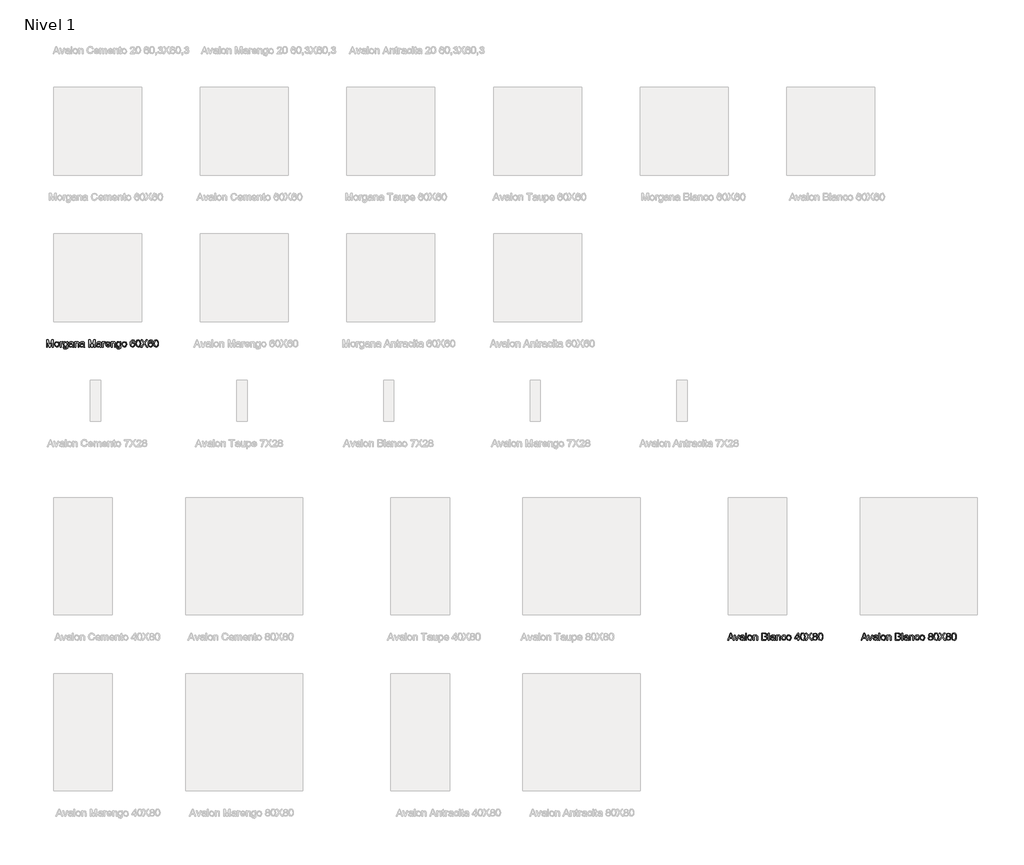
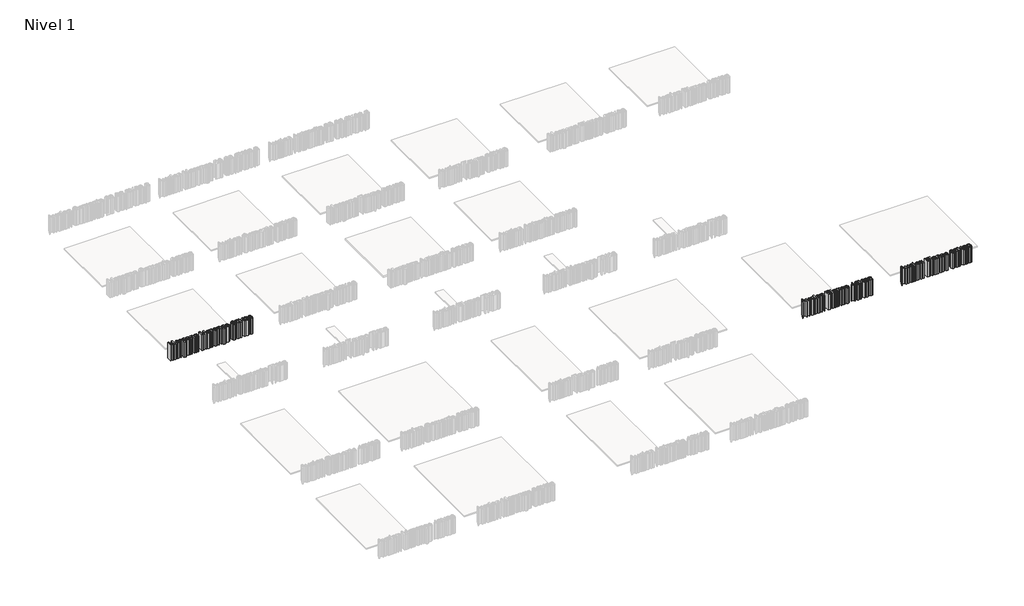
# One storey, part 4 of 11: 3 proxies.
"""IFC4 building model written with IfcOpenShell, lengths in millimetres."""

from ifc_helpers import new_model, si_unit, origin, origin_with_axes, place, context, project, spatial, polyline, outline, extrude, element, save

model = new_model("IFC4")

# Units and contexts
model_context = context("Model", 3, world=origin())
ifc_project = project(units=[si_unit("LENGTHUNIT", "METRE", prefix="MILLI")], contexts=[model_context])

# Site, building, storey
site = spatial("IfcSite", under=ifc_project)
building = spatial("IfcBuilding", under=site)
storey = spatial("IfcBuildingStorey", under=building, Name="Nivel 1", Elevation=0.0)

# Proxies
placement = place(None, origin())
element("IfcBuildingElementProxy", 1, Name="Texto de modelo 1", ObjectType="Texto de modelo 1", at=placement, inside=storey, context=model_context, shape_type="SweptSolid", body=[
    extrude(outline(polyline([(-48.4326504, -2172.9229512), (-48.4326504, -2123.692182), (-37.843708, -2123.692182), (-27.7715927, -2158.3917012), (-25.7403427, -2165.6392974), (-23.5408234, -2157.7907397), (-13.6369773, -2123.692182), (-3.048035, -2123.692182), (-3.048035, -2172.9229512), (-9.2018811, -2172.9229512), (-9.2018811, -2129.8460282), (-21.5696696, -2172.9229512), (-29.9110157, -2172.9229512), (-42.2788042, -2129.8460282), (-42.2788042, -2172.9229512), (-48.4326504, -2172.9229512)])), origin_with_axes(), (0.0, 0.0, 1.0), 150.0),
    extrude(outline(polyline([(5.4135035, -2154.8460282), (6.7446333, -2146.1290811), (10.7380227, -2140.0022782), (21.5793689, -2135.9998743), (33.2079746, -2140.8736724), (37.7211958, -2154.3412205), (35.7260035, -2165.2907397), (29.9147054, -2171.4866532), (21.5793689, -2173.692182), (9.8786477, -2168.8364128), (5.4135035, -2154.8460282)]), holes=[polyline([(11.5673496, -2154.8340089), (14.4159073, -2164.3712686), (21.5793689, -2167.5383359), (28.718792, -2164.3532397), (31.5673496, -2154.6417012), (28.7007631, -2145.3207878), (21.5793689, -2142.1537205), (14.4159073, -2145.3087686), (11.5673496, -2154.8340089)])]), origin_with_axes(), (0.0, 0.0, 1.0), 150.0),
    extrude(outline(polyline([(44.6442727, -2172.9229512), (44.6442727, -2136.7691051), (50.0288881, -2136.7691051), (50.0288881, -2142.1176628), (53.8510035, -2137.1897782), (57.6971573, -2135.9998743), (63.875042, -2137.8989128), (61.8197535, -2143.4157397), (57.4928304, -2142.1537205), (54.0132631, -2143.3676628), (51.795715, -2146.7330474), (50.7981189, -2153.9205474), (50.7981189, -2172.9229512), (44.6442727, -2172.9229512)])), origin_with_axes(), (0.0, 0.0, 1.0), 150.0),
    extrude(outline(polyline([(66.1827343, -2175.9998743), (72.3365804, -2176.7691051), (74.3317727, -2180.0142974), (80.3053304, -2181.3844897), (86.6034073, -2179.8340089), (89.608215, -2175.4830474), (90.0288881, -2168.3075666), (80.4135035, -2172.9229512), (69.3377823, -2167.5503551), (65.4135035, -2154.6657397), (67.1743208, -2145.1284801), (72.2704746, -2138.379682), (80.1130227, -2135.9998743), (90.0288881, -2141.3844897), (90.0288881, -2136.7691051), (96.1827343, -2136.7691051), (96.1827343, -2167.9830474), (94.500042, -2179.9361724), (89.1695131, -2185.4950666), (80.1851381, -2187.5383359), (69.9507631, -2184.6597301), (66.1827343, -2175.9998743)]), holes=[polyline([(71.5673496, -2154.2450666), (74.1935516, -2163.770307), (80.7860996, -2166.7691051), (87.3666285, -2163.7883359), (90.0288881, -2154.4253551), (87.2885035, -2145.2486724), (80.6899458, -2142.1537205), (74.2296093, -2145.2005955), (71.5673496, -2154.2450666)])]), origin_with_axes(), (0.0, 0.0, 1.0), 150.0),
    extrude(outline(polyline([(128.4904266, -2168.3075666), (122.5228785, -2172.4782397), (115.9303304, -2173.692182), (106.9940323, -2170.7715089), (103.875042, -2163.3075666), (105.0529266, -2158.4397782), (108.1478785, -2154.9061243), (112.4567727, -2152.8868936), (117.781292, -2151.9614128), (128.4543689, -2149.8460282), (126.795715, -2143.9325666), (119.9928304, -2142.1537205), (113.7668689, -2143.3376147), (110.7981189, -2147.5383359), (104.6442727, -2146.7691051), (107.3065323, -2140.7594897), (112.6671093, -2137.2378551), (120.7860996, -2135.9998743), (128.2440323, -2137.0936243), (132.4567727, -2139.8400186), (134.343792, -2144.0167012), (134.6442727, -2149.4013166), (134.6442727, -2157.0575666), (134.9567727, -2167.7486724), (136.1827343, -2172.9229512), (130.0288881, -2172.9229512), (128.4904266, -2168.3075666)]), holes=[polyline([(128.4904266, -2155.9998743), (118.562542, -2157.8868936), (113.2680708, -2158.8844897), (110.8702343, -2160.5070859), (110.0288881, -2162.8748743), (111.8618208, -2166.2042012), (117.2404266, -2167.5383359), (123.4663881, -2166.0659801), (127.4808112, -2162.5022782), (128.4543689, -2157.7426628), (128.4904266, -2155.9998743)])]), origin_with_axes(), (0.0, 0.0, 1.0), 150.0),
    extrude(outline(polyline([(143.1058112, -2172.9229512), (143.1058112, -2136.7691051), (149.2596573, -2136.7691051), (149.2596573, -2141.817182), (153.9651862, -2137.4542012), (160.389465, -2135.9998743), (166.2007631, -2137.1717493), (170.1671093, -2140.2486724), (172.0120612, -2144.7739128), (172.3365804, -2150.723432), (172.3365804, -2172.9229512), (166.1827343, -2172.9229512), (166.1827343, -2151.5527589), (165.4735996, -2146.1080474), (162.96759, -2143.2294416), (158.7428304, -2142.1537205), (152.0661477, -2144.5695859), (149.2596573, -2153.7402589), (149.2596573, -2172.9229512), (143.1058112, -2172.9229512)])), origin_with_axes(), (0.0, 0.0, 1.0), 150.0),
    extrude(outline(polyline([(203.875042, -2168.3075666), (197.9074939, -2172.4782397), (191.3149458, -2173.692182), (182.3786477, -2170.7715089), (179.2596573, -2163.3075666), (180.437542, -2158.4397782), (183.5324939, -2154.9061243), (187.8413881, -2152.8868936), (193.1659073, -2151.9614128), (203.8389843, -2149.8460282), (202.1803304, -2143.9325666), (195.3774458, -2142.1537205), (189.1514843, -2143.3376147), (186.1827343, -2147.5383359), (180.0288881, -2146.7691051), (182.6911477, -2140.7594897), (188.0517246, -2137.2378551), (196.170715, -2135.9998743), (203.6286477, -2137.0936243), (207.8413881, -2139.8400186), (209.7284073, -2144.0167012), (210.0288881, -2149.4013166), (210.0288881, -2157.0575666), (210.3413881, -2167.7486724), (211.5673496, -2172.9229512), (205.4135035, -2172.9229512), (203.875042, -2168.3075666)]), holes=[polyline([(203.875042, -2155.9998743), (193.9471573, -2157.8868936), (188.6526862, -2158.8844897), (186.2548496, -2160.5070859), (185.4135035, -2162.8748743), (187.2464362, -2166.2042012), (192.625042, -2167.5383359), (198.8510035, -2166.0659801), (202.8654266, -2162.5022782), (203.8389843, -2157.7426628), (203.875042, -2155.9998743)])]), origin_with_axes(), (0.0, 0.0, 1.0), 150.0),
    extrude(outline(polyline([(238.4904266, -2172.9229512), (238.4904266, -2123.692182), (249.0793689, -2123.692182), (259.1514843, -2158.3917012), (261.1827343, -2165.6392974), (263.3822535, -2157.7907397), (273.2860996, -2123.692182), (283.875042, -2123.692182), (283.875042, -2172.9229512), (277.7211958, -2172.9229512), (277.7211958, -2129.8460282), (265.3534073, -2172.9229512), (257.0120612, -2172.9229512), (244.6442727, -2129.8460282), (244.6442727, -2172.9229512), (238.4904266, -2172.9229512)])), origin_with_axes(), (0.0, 0.0, 1.0), 150.0),
    extrude(outline(polyline([(316.951965, -2168.3075666), (310.984417, -2172.4782397), (304.3918689, -2173.692182), (295.4555708, -2170.7715089), (292.3365804, -2163.3075666), (293.514465, -2158.4397782), (296.609417, -2154.9061243), (300.9183112, -2152.8868936), (306.2428304, -2151.9614128), (316.9159073, -2149.8460282), (315.2572535, -2143.9325666), (308.4543689, -2142.1537205), (302.2284073, -2143.3376147), (299.2596573, -2147.5383359), (293.1058112, -2146.7691051), (295.7680708, -2140.7594897), (301.1286477, -2137.2378551), (309.2476381, -2135.9998743), (316.7055708, -2137.0936243), (320.9183112, -2139.8400186), (322.8053304, -2144.0167012), (323.1058112, -2149.4013166), (323.1058112, -2157.0575666), (323.4183112, -2167.7486724), (324.6442727, -2172.9229512), (318.4904266, -2172.9229512), (316.951965, -2168.3075666)]), holes=[polyline([(316.951965, -2155.9998743), (307.0240804, -2157.8868936), (301.7296093, -2158.8844897), (299.3317727, -2160.5070859), (298.4904266, -2162.8748743), (300.3233593, -2166.2042012), (305.701965, -2167.5383359), (311.9279266, -2166.0659801), (315.9423496, -2162.5022782), (316.9159073, -2157.7426628), (316.951965, -2155.9998743)])]), origin_with_axes(), (0.0, 0.0, 1.0), 150.0),
    extrude(outline(polyline([(331.5673496, -2172.9229512), (331.5673496, -2136.7691051), (336.951965, -2136.7691051), (336.951965, -2142.1176628), (340.7740804, -2137.1897782), (344.6202343, -2135.9998743), (350.7981189, -2137.8989128), (348.7428304, -2143.4157397), (344.4159073, -2142.1537205), (340.93634, -2143.3676628), (338.718792, -2146.7330474), (337.7211958, -2153.9205474), (337.7211958, -2172.9229512), (331.5673496, -2172.9229512)])), origin_with_axes(), (0.0, 0.0, 1.0), 150.0),
    extrude(outline(polyline([(379.9567727, -2162.1537205), (385.9904266, -2162.9229512), (380.3473977, -2170.8676628), (369.8365804, -2173.692182), (357.0601381, -2168.8183839), (352.3365804, -2155.1465089), (357.108215, -2141.0239128), (369.4880227, -2135.9998743), (381.5132631, -2141.0118936), (386.1827343, -2155.1104512), (386.1466766, -2156.7691051), (358.4904266, -2156.7691051), (362.03009, -2164.7618936), (369.9567727, -2167.5383359), (375.9904266, -2166.2522782), (379.9567727, -2162.1537205)]), holes=[polyline([(358.4904266, -2150.6152589), (380.0288881, -2150.6152589), (377.5649458, -2145.0383359), (369.4639843, -2142.1537205), (361.8858593, -2144.4554032), (358.4904266, -2150.6152589)])]), origin_with_axes(), (0.0, 0.0, 1.0), 150.0),
    extrude(outline(polyline([(392.3365804, -2172.9229512), (392.3365804, -2136.7691051), (398.4904266, -2136.7691051), (398.4904266, -2141.817182), (403.1959554, -2137.4542012), (409.6202343, -2135.9998743), (415.4315323, -2137.1717493), (419.3978785, -2140.2486724), (421.2428304, -2144.7739128), (421.5673496, -2150.723432), (421.5673496, -2172.9229512), (415.4135035, -2172.9229512), (415.4135035, -2151.5527589), (414.7043689, -2146.1080474), (412.1983593, -2143.2294416), (407.9735996, -2142.1537205), (401.296917, -2144.5695859), (398.4904266, -2153.7402589), (398.4904266, -2172.9229512), (392.3365804, -2172.9229512)])), origin_with_axes(), (0.0, 0.0, 1.0), 150.0),
    extrude(outline(polyline([(428.4904266, -2175.9998743), (434.6442727, -2176.7691051), (436.639465, -2180.0142974), (442.6130227, -2181.3844897), (448.9110996, -2179.8340089), (451.9159073, -2175.4830474), (452.3365804, -2168.3075666), (442.7211958, -2172.9229512), (431.6454746, -2167.5503551), (427.7211958, -2154.6657397), (429.4820131, -2145.1284801), (434.578167, -2138.379682), (442.420715, -2135.9998743), (452.3365804, -2141.3844897), (452.3365804, -2136.7691051), (458.4904266, -2136.7691051), (458.4904266, -2167.9830474), (456.8077343, -2179.9361724), (451.4772054, -2185.4950666), (442.4928304, -2187.5383359), (432.2584554, -2184.6597301), (428.4904266, -2175.9998743)]), holes=[polyline([(433.875042, -2154.2450666), (436.5012439, -2163.770307), (443.093792, -2166.7691051), (449.6743208, -2163.7883359), (452.3365804, -2154.4253551), (449.5961958, -2145.2486724), (442.9976381, -2142.1537205), (436.5373016, -2145.2005955), (433.875042, -2154.2450666)])]), origin_with_axes(), (0.0, 0.0, 1.0), 150.0),
    extrude(outline(polyline([(466.1827343, -2154.8460282), (467.5138641, -2146.1290811), (471.5072535, -2140.0022782), (482.3485996, -2135.9998743), (493.9772054, -2140.8736724), (498.4904266, -2154.3412205), (496.4952343, -2165.2907397), (490.6839362, -2171.4866532), (482.3485996, -2173.692182), (470.6478785, -2168.8364128), (466.1827343, -2154.8460282)]), holes=[polyline([(472.3365804, -2154.8340089), (475.1851381, -2164.3712686), (482.3485996, -2167.5383359), (489.4880227, -2164.3532397), (492.3365804, -2154.6417012), (489.4699939, -2145.3207878), (482.3485996, -2142.1537205), (475.1851381, -2145.3087686), (472.3365804, -2154.8340089)])]), origin_with_axes(), (0.0, 0.0, 1.0), 150.0),
    extrude(outline(polyline([(554.6442727, -2136.7691051), (548.4904266, -2137.5383359), (546.1586958, -2132.4061243), (539.9928304, -2129.8460282), (534.4399458, -2131.3364128), (530.2392246, -2136.9313647), (528.4904266, -2147.8989128), (533.9171093, -2142.989057), (540.6418689, -2141.3844897), (551.0985996, -2145.7715089), (555.4135035, -2157.1056436), (553.3822535, -2165.5972301), (547.7933112, -2171.6068455), (539.7284073, -2173.692182), (527.18634, -2168.1633359), (523.5490203, -2160.8436243), (522.3365804, -2149.942182), (523.6827343, -2137.6855714), (527.7211958, -2129.3051628), (533.2350179, -2125.0954272), (540.3774458, -2123.692182), (550.1010035, -2127.1657397), (554.6442727, -2136.7691051)]), holes=[polyline([(528.4904266, -2157.0094897), (529.9147054, -2162.3400186), (533.7007631, -2166.2102109), (539.2476381, -2167.5383359), (546.5012439, -2164.785932), (549.2596573, -2157.3099705), (546.5373016, -2150.1525186), (538.9952343, -2147.5383359), (531.5493208, -2150.1525186), (528.4904266, -2157.0094897)])]), origin_with_axes(), (0.0, 0.0, 1.0), 150.0),
    extrude(outline(polyline([(560.7981189, -2148.7042012), (562.6070131, -2134.5395378), (567.9796093, -2126.3724705), (576.951965, -2123.692182), (584.139465, -2125.2787205), (589.1034073, -2129.8520378), (591.9880227, -2137.1356916), (593.1058112, -2148.7042012), (591.3149458, -2162.8087686), (585.9603785, -2170.9938647), (576.951965, -2173.692182), (565.701965, -2169.004682), (562.0240804, -2160.6783599), (560.7981189, -2148.7042012)]), holes=[polyline([(566.951965, -2148.692182), (569.8365804, -2163.9746339), (576.951965, -2167.5383359), (584.0673496, -2163.9626147), (586.951965, -2148.692182), (584.1635035, -2133.5840089), (576.8798496, -2129.8460282), (569.9327343, -2133.1392974), (566.951965, -2148.692182)])]), origin_with_axes(), (0.0, 0.0, 1.0), 150.0),
    extrude(outline(polyline([(595.4135035, -2172.9229512), (614.3918689, -2146.0960282), (598.4904266, -2123.692182), (605.8702343, -2123.692182), (614.8245612, -2136.3003551), (617.8413881, -2141.2162205), (621.375042, -2136.2162205), (630.233215, -2123.692182), (637.7211958, -2123.692182), (621.8197535, -2146.1681436), (640.7981189, -2172.9229512), (633.4183112, -2172.9229512), (620.7740804, -2155.0864128), (618.1418689, -2151.3844897), (615.2452343, -2155.4469897), (602.9014843, -2172.9229512), (595.4135035, -2172.9229512)])), origin_with_axes(), (0.0, 0.0, 1.0), 150.0),
    extrude(outline(polyline([(676.1827343, -2136.7691051), (670.0288881, -2137.5383359), (667.6971573, -2132.4061243), (661.531292, -2129.8460282), (655.9784073, -2131.3364128), (651.7776862, -2136.9313647), (650.0288881, -2147.8989128), (655.4555708, -2142.989057), (662.1803304, -2141.3844897), (672.6370612, -2145.7715089), (676.951965, -2157.1056436), (674.920715, -2165.5972301), (669.3317727, -2171.6068455), (661.2668689, -2173.692182), (648.7248016, -2168.1633359), (645.0874819, -2160.8436243), (643.875042, -2149.942182), (645.2211958, -2137.6855714), (649.2596573, -2129.3051628), (654.7734795, -2125.0954272), (661.9159073, -2123.692182), (671.639465, -2127.1657397), (676.1827343, -2136.7691051)]), holes=[polyline([(650.0288881, -2157.0094897), (651.453167, -2162.3400186), (655.2392246, -2166.2102109), (660.7860996, -2167.5383359), (668.0397054, -2164.785932), (670.7981189, -2157.3099705), (668.0757631, -2150.1525186), (660.5336958, -2147.5383359), (653.0877823, -2150.1525186), (650.0288881, -2157.0094897)])]), origin_with_axes(), (0.0, 0.0, 1.0), 150.0),
    extrude(outline(polyline([(682.3365804, -2148.7042012), (684.1454746, -2134.5395378), (689.5180708, -2126.3724705), (698.4904266, -2123.692182), (705.6779266, -2125.2787205), (710.6418689, -2129.8520378), (713.5264843, -2137.1356916), (714.6442727, -2148.7042012), (712.8534073, -2162.8087686), (707.49884, -2170.9938647), (698.4904266, -2173.692182), (687.2404266, -2169.004682), (683.562542, -2160.6783599), (682.3365804, -2148.7042012)]), holes=[polyline([(688.4904266, -2148.692182), (691.375042, -2163.9746339), (698.4904266, -2167.5383359), (705.6058112, -2163.9626147), (708.4904266, -2148.692182), (705.701965, -2133.5840089), (698.4183112, -2129.8460282), (691.4711958, -2133.1392974), (688.4904266, -2148.692182)])]), origin_with_axes(), (0.0, 0.0, 1.0), 150.0),
])
element("IfcBuildingElementProxy", 2, Name="Texto de modelo 1", ObjectType="Texto de modelo 1", at=placement, inside=storey, context=model_context, shape_type="SweptSolid", body=[
    extrude(outline(polyline([(4595.8341766, -4172.9229512), (4615.4856189, -4123.692182), (4620.7260035, -4123.692182), (4640.3774458, -4172.9229512), (4633.875042, -4172.9229512), (4628.2380227, -4157.5383359), (4607.9615804, -4157.5383359), (4602.3365804, -4172.9229512), (4595.8341766, -4172.9229512)]), holes=[polyline([(4610.2211958, -4151.3844897), (4625.9904266, -4151.3844897), (4621.5553304, -4139.2811243), (4618.1058112, -4129.8460282), (4615.0409073, -4138.223432), (4610.2211958, -4151.3844897)])]), origin_with_axes(), (0.0, 0.0, 1.0), 150.0),
    extrude(outline(polyline([(4655.0529266, -4172.9229512), (4642.3365804, -4136.7691051), (4648.8510035, -4136.7691051), (4656.5553304, -4158.4277589), (4658.875042, -4165.7114128), (4661.1466766, -4158.8364128), (4668.8990804, -4136.7691051), (4675.4135035, -4136.7691051), (4662.8534073, -4172.9229512), (4655.0529266, -4172.9229512)])), origin_with_axes(), (0.0, 0.0, 1.0), 150.0),
    extrude(outline(polyline([(4703.875042, -4168.3075666), (4697.9074939, -4172.4782397), (4691.3149458, -4173.692182), (4682.3786477, -4170.7715089), (4679.2596573, -4163.3075666), (4680.437542, -4158.4397782), (4683.5324939, -4154.9061243), (4687.8413881, -4152.8868936), (4693.1659073, -4151.9614128), (4703.8389843, -4149.8460282), (4702.1803304, -4143.9325666), (4695.3774458, -4142.1537205), (4689.1514843, -4143.3376147), (4686.1827343, -4147.5383359), (4680.0288881, -4146.7691051), (4682.6911477, -4140.7594897), (4688.0517246, -4137.2378551), (4696.170715, -4135.9998743), (4703.6286477, -4137.0936243), (4707.8413881, -4139.8400186), (4709.7284073, -4144.0167012), (4710.0288881, -4149.4013166), (4710.0288881, -4157.0575666), (4710.3413881, -4167.7486724), (4711.5673496, -4172.9229512), (4705.4135035, -4172.9229512), (4703.875042, -4168.3075666)]), holes=[polyline([(4703.875042, -4155.9998743), (4693.9471573, -4157.8868936), (4688.6526862, -4158.8844897), (4686.2548496, -4160.5070859), (4685.4135035, -4162.8748743), (4687.2464362, -4166.2042012), (4692.625042, -4167.5383359), (4698.8510035, -4166.0659801), (4702.8654266, -4162.5022782), (4703.8389843, -4157.7426628), (4703.875042, -4155.9998743)])]), origin_with_axes(), (0.0, 0.0, 1.0), 150.0),
    extrude(outline(polyline([(4718.4904266, -4172.9229512), (4718.4904266, -4123.692182), (4724.6442727, -4123.692182), (4724.6442727, -4172.9229512), (4718.4904266, -4172.9229512)])), origin_with_axes(), (0.0, 0.0, 1.0), 150.0),
    extrude(outline(polyline([(4732.3365804, -4154.8460282), (4733.6677102, -4146.1290811), (4737.6610996, -4140.0022782), (4748.5024458, -4135.9998743), (4760.1310516, -4140.8736724), (4764.6442727, -4154.3412205), (4762.6490804, -4165.2907397), (4756.8377823, -4171.4866532), (4748.5024458, -4173.692182), (4736.8017246, -4168.8364128), (4732.3365804, -4154.8460282)]), holes=[polyline([(4738.4904266, -4154.8340089), (4741.3389843, -4164.3712686), (4748.5024458, -4167.5383359), (4755.6418689, -4164.3532397), (4758.4904266, -4154.6417012), (4755.62384, -4145.3207878), (4748.5024458, -4142.1537205), (4741.3389843, -4145.3087686), (4738.4904266, -4154.8340089)])]), origin_with_axes(), (0.0, 0.0, 1.0), 150.0),
    extrude(outline(polyline([(4771.5673496, -4172.9229512), (4771.5673496, -4136.7691051), (4777.7211958, -4136.7691051), (4777.7211958, -4141.817182), (4782.4267246, -4137.4542012), (4788.8510035, -4135.9998743), (4794.6623016, -4137.1717493), (4798.6286477, -4140.2486724), (4800.4735996, -4144.7739128), (4800.7981189, -4150.723432), (4800.7981189, -4172.9229512), (4794.6442727, -4172.9229512), (4794.6442727, -4151.5527589), (4793.9351381, -4146.1080474), (4791.4291285, -4143.2294416), (4787.2043689, -4142.1537205), (4780.5276862, -4144.5695859), (4777.7211958, -4153.7402589), (4777.7211958, -4172.9229512), (4771.5673496, -4172.9229512)])), origin_with_axes(), (0.0, 0.0, 1.0), 150.0),
    extrude(outline(polyline([(4829.2596573, -4172.9229512), (4829.2596573, -4123.692182), (4848.045715, -4123.692182), (4857.2464362, -4125.1404993), (4862.6791285, -4129.5936243), (4864.6442727, -4135.8917012), (4862.9916285, -4141.6429032), (4857.9976381, -4145.9998743), (4864.06134, -4150.5912205), (4866.1827343, -4158.2474705), (4864.734417, -4164.864057), (4861.1466766, -4169.5755955), (4855.7921093, -4172.0755955), (4847.9014843, -4172.9229512), (4829.2596573, -4172.9229512)]), holes=[polyline([(4835.4135035, -4143.692182), (4846.6514843, -4143.692182), (4853.2139843, -4143.1633359), (4857.1623016, -4140.8856916), (4858.4904266, -4136.8772782), (4857.2524458, -4132.8628551), (4853.7067727, -4130.489057), (4845.7981189, -4129.8460282), (4835.4135035, -4129.8460282), (4835.4135035, -4143.692182)]), polyline([(4835.4135035, -4166.7691051), (4848.0336958, -4166.7691051), (4852.6010035, -4166.5287205), (4856.4651862, -4165.1885762), (4859.0252823, -4162.4542012), (4860.0288881, -4158.3075666), (4858.8510035, -4153.5239128), (4855.0348977, -4150.6693455), (4847.4327343, -4149.8460282), (4835.4135035, -4149.8460282), (4835.4135035, -4166.7691051)])]), origin_with_axes(), (0.0, 0.0, 1.0), 150.0),
    extrude(outline(polyline([(4873.875042, -4172.9229512), (4873.875042, -4123.692182), (4880.0288881, -4123.692182), (4880.0288881, -4172.9229512), (4873.875042, -4172.9229512)])), origin_with_axes(), (0.0, 0.0, 1.0), 150.0),
    extrude(outline(polyline([(4912.3365804, -4168.3075666), (4906.3690323, -4172.4782397), (4899.7764843, -4173.692182), (4890.8401862, -4170.7715089), (4887.7211958, -4163.3075666), (4888.8990804, -4158.4397782), (4891.9940323, -4154.9061243), (4896.3029266, -4152.8868936), (4901.6274458, -4151.9614128), (4912.3005227, -4149.8460282), (4910.6418689, -4143.9325666), (4903.8389843, -4142.1537205), (4897.6130227, -4143.3376147), (4894.6442727, -4147.5383359), (4888.4904266, -4146.7691051), (4891.1526862, -4140.7594897), (4896.5132631, -4137.2378551), (4904.6322535, -4135.9998743), (4912.0901862, -4137.0936243), (4916.3029266, -4139.8400186), (4918.1899458, -4144.0167012), (4918.4904266, -4149.4013166), (4918.4904266, -4157.0575666), (4918.8029266, -4167.7486724), (4920.0288881, -4172.9229512), (4913.875042, -4172.9229512), (4912.3365804, -4168.3075666)]), holes=[polyline([(4912.3365804, -4155.9998743), (4902.4086958, -4157.8868936), (4897.1142246, -4158.8844897), (4894.7163881, -4160.5070859), (4893.875042, -4162.8748743), (4895.7079746, -4166.2042012), (4901.0865804, -4167.5383359), (4907.312542, -4166.0659801), (4911.326965, -4162.5022782), (4912.3005227, -4157.7426628), (4912.3365804, -4155.9998743)])]), origin_with_axes(), (0.0, 0.0, 1.0), 150.0),
    extrude(outline(polyline([(4926.951965, -4172.9229512), (4926.951965, -4136.7691051), (4933.1058112, -4136.7691051), (4933.1058112, -4141.817182), (4937.81134, -4137.4542012), (4944.2356189, -4135.9998743), (4950.046917, -4137.1717493), (4954.0132631, -4140.2486724), (4955.858215, -4144.7739128), (4956.1827343, -4150.723432), (4956.1827343, -4172.9229512), (4950.0288881, -4172.9229512), (4950.0288881, -4151.5527589), (4949.3197535, -4146.1080474), (4946.8137439, -4143.2294416), (4942.5889843, -4142.1537205), (4935.9123016, -4144.5695859), (4933.1058112, -4153.7402589), (4933.1058112, -4172.9229512), (4926.951965, -4172.9229512)])), origin_with_axes(), (0.0, 0.0, 1.0), 150.0),
    extrude(outline(polyline([(4987.7211958, -4159.8460282), (4993.875042, -4160.6152589), (4988.9351381, -4170.2246339), (4979.1755227, -4173.692182), (4967.5108593, -4168.8544416), (4963.1058112, -4154.9782397), (4964.9868208, -4144.7558839), (4970.7199939, -4138.1873743), (4979.0913881, -4135.9998743), (4988.4483593, -4139.004682), (4993.1058112, -4147.5383359), (4986.951965, -4148.3075666), (4984.0973977, -4143.6981916), (4979.139465, -4142.1537205), (4972.0060516, -4145.1945859), (4969.2596573, -4154.8099705), (4971.9459554, -4164.5154993), (4978.9711958, -4167.5383359), (4984.7704746, -4165.6513166), (4987.7211958, -4159.8460282)])), origin_with_axes(), (0.0, 0.0, 1.0), 150.0),
    extrude(outline(polyline([(4997.7211958, -4154.8460282), (4999.0523256, -4146.1290811), (5003.045715, -4140.0022782), (5013.8870612, -4135.9998743), (5025.515667, -4140.8736724), (5030.0288881, -4154.3412205), (5028.0336958, -4165.2907397), (5022.2223977, -4171.4866532), (5013.8870612, -4173.692182), (5002.18634, -4168.8364128), (4997.7211958, -4154.8460282)]), holes=[polyline([(5003.875042, -4154.8340089), (5006.7235996, -4164.3712686), (5013.8870612, -4167.5383359), (5021.0264843, -4164.3532397), (5023.875042, -4154.6417012), (5021.0084554, -4145.3207878), (5013.8870612, -4142.1537205), (5006.7235996, -4145.3087686), (5003.875042, -4154.8340089)])]), origin_with_axes(), (0.0, 0.0, 1.0), 150.0),
    extrude(outline(polyline([(5074.6442727, -4172.9229512), (5074.6442727, -4161.3844897), (5052.3365804, -4161.3844897), (5052.3365804, -4155.2306436), (5076.1827343, -4124.4614128), (5080.7981189, -4124.4614128), (5080.7981189, -4155.2306436), (5086.951965, -4155.2306436), (5086.951965, -4161.3844897), (5080.7981189, -4161.3844897), (5080.7981189, -4172.9229512), (5074.6442727, -4172.9229512)]), holes=[polyline([(5074.6442727, -4155.2306436), (5074.6442727, -4136.2162205), (5059.9086958, -4155.2306436), (5074.6442727, -4155.2306436)])]), origin_with_axes(), (0.0, 0.0, 1.0), 150.0),
    extrude(outline(polyline([(5092.3365804, -4148.7042012), (5094.1454746, -4134.5395378), (5099.5180708, -4126.3724705), (5108.4904266, -4123.692182), (5115.6779266, -4125.2787205), (5120.6418689, -4129.8520378), (5123.5264843, -4137.1356916), (5124.6442727, -4148.7042012), (5122.8534073, -4162.8087686), (5117.49884, -4170.9938647), (5108.4904266, -4173.692182), (5097.2404266, -4169.004682), (5093.562542, -4160.6783599), (5092.3365804, -4148.7042012)]), holes=[polyline([(5098.4904266, -4148.692182), (5101.375042, -4163.9746339), (5108.4904266, -4167.5383359), (5115.6058112, -4163.9626147), (5118.4904266, -4148.692182), (5115.701965, -4133.5840089), (5108.4183112, -4129.8460282), (5101.4711958, -4133.1392974), (5098.4904266, -4148.692182)])]), origin_with_axes(), (0.0, 0.0, 1.0), 150.0),
    extrude(outline(polyline([(5126.951965, -4172.9229512), (5145.9303304, -4146.0960282), (5130.0288881, -4123.692182), (5137.4086958, -4123.692182), (5146.3630227, -4136.3003551), (5149.3798496, -4141.2162205), (5152.9135035, -4136.2162205), (5161.7716766, -4123.692182), (5169.2596573, -4123.692182), (5153.358215, -4146.1681436), (5172.3365804, -4172.9229512), (5164.9567727, -4172.9229512), (5152.312542, -4155.0864128), (5149.6803304, -4151.3844897), (5146.7836958, -4155.4469897), (5134.4399458, -4172.9229512), (5126.951965, -4172.9229512)])), origin_with_axes(), (0.0, 0.0, 1.0), 150.0),
    extrude(outline(polyline([(5185.1490804, -4145.8075666), (5179.5421093, -4141.9854512), (5177.7211958, -4136.035932), (5181.687542, -4127.2498743), (5192.2524458, -4123.692182), (5202.9135035, -4127.3340089), (5206.951965, -4136.2042012), (5205.15509, -4142.0034801), (5199.7043689, -4145.8075666), (5206.24884, -4150.6332878), (5208.4904266, -4158.5960282), (5204.0433112, -4169.3412205), (5192.3365804, -4173.692182), (5180.6298496, -4169.3231916), (5176.1827343, -4158.4277589), (5178.514465, -4150.2787205), (5185.1490804, -4145.8075666)]), holes=[polyline([(5183.875042, -4136.2162205), (5186.0565323, -4141.0479512), (5192.4086958, -4142.9229512), (5198.6346573, -4141.0599705), (5200.7981189, -4136.4926628), (5198.562542, -4131.7630955), (5192.3365804, -4129.8460282), (5186.09259, -4131.7210282), (5183.875042, -4136.2162205)]), polyline([(5182.3365804, -4158.2114128), (5183.3642246, -4162.8448262), (5187.000042, -4166.3123743), (5192.3846573, -4167.5383359), (5199.7163881, -4164.9602109), (5202.3365804, -4158.4037205), (5199.6322535, -4151.7210282), (5192.1803304, -4149.0767974), (5184.9387439, -4151.6849705), (5182.3365804, -4158.2114128)])]), origin_with_axes(), (0.0, 0.0, 1.0), 150.0),
    extrude(outline(polyline([(5213.875042, -4148.7042012), (5215.6839362, -4134.5395378), (5221.0565323, -4126.3724705), (5230.0288881, -4123.692182), (5237.2163881, -4125.2787205), (5242.1803304, -4129.8520378), (5245.0649458, -4137.1356916), (5246.1827343, -4148.7042012), (5244.3918689, -4162.8087686), (5239.0373016, -4170.9938647), (5230.0288881, -4173.692182), (5218.7788881, -4169.004682), (5215.1010035, -4160.6783599), (5213.875042, -4148.7042012)]), holes=[polyline([(5220.0288881, -4148.692182), (5222.9135035, -4163.9746339), (5230.0288881, -4167.5383359), (5237.1442727, -4163.9626147), (5240.0288881, -4148.692182), (5237.2404266, -4133.5840089), (5229.9567727, -4129.8460282), (5223.0096573, -4133.1392974), (5220.0288881, -4148.692182)])]), origin_with_axes(), (0.0, 0.0, 1.0), 150.0),
])
element("IfcBuildingElementProxy", 3, Name="Texto de modelo 1", ObjectType="Texto de modelo 1", at=placement, inside=storey, context=model_context, shape_type="SweptSolid", body=[
    extrude(outline(polyline([(5505.8341766, -4172.9229512), (5525.4856189, -4123.692182), (5530.7260035, -4123.692182), (5550.3774458, -4172.9229512), (5543.875042, -4172.9229512), (5538.2380227, -4157.5383359), (5517.9615804, -4157.5383359), (5512.3365804, -4172.9229512), (5505.8341766, -4172.9229512)]), holes=[polyline([(5520.2211958, -4151.3844897), (5535.9904266, -4151.3844897), (5531.5553304, -4139.2811243), (5528.1058112, -4129.8460282), (5525.0409073, -4138.223432), (5520.2211958, -4151.3844897)])]), origin_with_axes(), (0.0, 0.0, 1.0), 150.0),
    extrude(outline(polyline([(5565.0529266, -4172.9229512), (5552.3365804, -4136.7691051), (5558.8510035, -4136.7691051), (5566.5553304, -4158.4277589), (5568.875042, -4165.7114128), (5571.1466766, -4158.8364128), (5578.8990804, -4136.7691051), (5585.4135035, -4136.7691051), (5572.8534073, -4172.9229512), (5565.0529266, -4172.9229512)])), origin_with_axes(), (0.0, 0.0, 1.0), 150.0),
    extrude(outline(polyline([(5613.875042, -4168.3075666), (5607.9074939, -4172.4782397), (5601.3149458, -4173.692182), (5592.3786477, -4170.7715089), (5589.2596573, -4163.3075666), (5590.437542, -4158.4397782), (5593.5324939, -4154.9061243), (5597.8413881, -4152.8868936), (5603.1659073, -4151.9614128), (5613.8389843, -4149.8460282), (5612.1803304, -4143.9325666), (5605.3774458, -4142.1537205), (5599.1514843, -4143.3376147), (5596.1827343, -4147.5383359), (5590.0288881, -4146.7691051), (5592.6911477, -4140.7594897), (5598.0517246, -4137.2378551), (5606.170715, -4135.9998743), (5613.6286477, -4137.0936243), (5617.8413881, -4139.8400186), (5619.7284073, -4144.0167012), (5620.0288881, -4149.4013166), (5620.0288881, -4157.0575666), (5620.3413881, -4167.7486724), (5621.5673496, -4172.9229512), (5615.4135035, -4172.9229512), (5613.875042, -4168.3075666)]), holes=[polyline([(5613.875042, -4155.9998743), (5603.9471573, -4157.8868936), (5598.6526862, -4158.8844897), (5596.2548496, -4160.5070859), (5595.4135035, -4162.8748743), (5597.2464362, -4166.2042012), (5602.625042, -4167.5383359), (5608.8510035, -4166.0659801), (5612.8654266, -4162.5022782), (5613.8389843, -4157.7426628), (5613.875042, -4155.9998743)])]), origin_with_axes(), (0.0, 0.0, 1.0), 150.0),
    extrude(outline(polyline([(5628.4904266, -4172.9229512), (5628.4904266, -4123.692182), (5634.6442727, -4123.692182), (5634.6442727, -4172.9229512), (5628.4904266, -4172.9229512)])), origin_with_axes(), (0.0, 0.0, 1.0), 150.0),
    extrude(outline(polyline([(5642.3365804, -4154.8460282), (5643.6677102, -4146.1290811), (5647.6610996, -4140.0022782), (5658.5024458, -4135.9998743), (5670.1310516, -4140.8736724), (5674.6442727, -4154.3412205), (5672.6490804, -4165.2907397), (5666.8377823, -4171.4866532), (5658.5024458, -4173.692182), (5646.8017246, -4168.8364128), (5642.3365804, -4154.8460282)]), holes=[polyline([(5648.4904266, -4154.8340089), (5651.3389843, -4164.3712686), (5658.5024458, -4167.5383359), (5665.6418689, -4164.3532397), (5668.4904266, -4154.6417012), (5665.62384, -4145.3207878), (5658.5024458, -4142.1537205), (5651.3389843, -4145.3087686), (5648.4904266, -4154.8340089)])]), origin_with_axes(), (0.0, 0.0, 1.0), 150.0),
    extrude(outline(polyline([(5681.5673496, -4172.9229512), (5681.5673496, -4136.7691051), (5687.7211958, -4136.7691051), (5687.7211958, -4141.817182), (5692.4267246, -4137.4542012), (5698.8510035, -4135.9998743), (5704.6623016, -4137.1717493), (5708.6286477, -4140.2486724), (5710.4735996, -4144.7739128), (5710.7981189, -4150.723432), (5710.7981189, -4172.9229512), (5704.6442727, -4172.9229512), (5704.6442727, -4151.5527589), (5703.9351381, -4146.1080474), (5701.4291285, -4143.2294416), (5697.2043689, -4142.1537205), (5690.5276862, -4144.5695859), (5687.7211958, -4153.7402589), (5687.7211958, -4172.9229512), (5681.5673496, -4172.9229512)])), origin_with_axes(), (0.0, 0.0, 1.0), 150.0),
    extrude(outline(polyline([(5739.2596573, -4172.9229512), (5739.2596573, -4123.692182), (5758.045715, -4123.692182), (5767.2464362, -4125.1404993), (5772.6791285, -4129.5936243), (5774.6442727, -4135.8917012), (5772.9916285, -4141.6429032), (5767.9976381, -4145.9998743), (5774.06134, -4150.5912205), (5776.1827343, -4158.2474705), (5774.734417, -4164.864057), (5771.1466766, -4169.5755955), (5765.7921093, -4172.0755955), (5757.9014843, -4172.9229512), (5739.2596573, -4172.9229512)]), holes=[polyline([(5745.4135035, -4143.692182), (5756.6514843, -4143.692182), (5763.2139843, -4143.1633359), (5767.1623016, -4140.8856916), (5768.4904266, -4136.8772782), (5767.2524458, -4132.8628551), (5763.7067727, -4130.489057), (5755.7981189, -4129.8460282), (5745.4135035, -4129.8460282), (5745.4135035, -4143.692182)]), polyline([(5745.4135035, -4166.7691051), (5758.0336958, -4166.7691051), (5762.6010035, -4166.5287205), (5766.4651862, -4165.1885762), (5769.0252823, -4162.4542012), (5770.0288881, -4158.3075666), (5768.8510035, -4153.5239128), (5765.0348977, -4150.6693455), (5757.4327343, -4149.8460282), (5745.4135035, -4149.8460282), (5745.4135035, -4166.7691051)])]), origin_with_axes(), (0.0, 0.0, 1.0), 150.0),
    extrude(outline(polyline([(5783.875042, -4172.9229512), (5783.875042, -4123.692182), (5790.0288881, -4123.692182), (5790.0288881, -4172.9229512), (5783.875042, -4172.9229512)])), origin_with_axes(), (0.0, 0.0, 1.0), 150.0),
    extrude(outline(polyline([(5822.3365804, -4168.3075666), (5816.3690323, -4172.4782397), (5809.7764843, -4173.692182), (5800.8401862, -4170.7715089), (5797.7211958, -4163.3075666), (5798.8990804, -4158.4397782), (5801.9940323, -4154.9061243), (5806.3029266, -4152.8868936), (5811.6274458, -4151.9614128), (5822.3005227, -4149.8460282), (5820.6418689, -4143.9325666), (5813.8389843, -4142.1537205), (5807.6130227, -4143.3376147), (5804.6442727, -4147.5383359), (5798.4904266, -4146.7691051), (5801.1526862, -4140.7594897), (5806.5132631, -4137.2378551), (5814.6322535, -4135.9998743), (5822.0901862, -4137.0936243), (5826.3029266, -4139.8400186), (5828.1899458, -4144.0167012), (5828.4904266, -4149.4013166), (5828.4904266, -4157.0575666), (5828.8029266, -4167.7486724), (5830.0288881, -4172.9229512), (5823.875042, -4172.9229512), (5822.3365804, -4168.3075666)]), holes=[polyline([(5822.3365804, -4155.9998743), (5812.4086958, -4157.8868936), (5807.1142246, -4158.8844897), (5804.7163881, -4160.5070859), (5803.875042, -4162.8748743), (5805.7079746, -4166.2042012), (5811.0865804, -4167.5383359), (5817.312542, -4166.0659801), (5821.326965, -4162.5022782), (5822.3005227, -4157.7426628), (5822.3365804, -4155.9998743)])]), origin_with_axes(), (0.0, 0.0, 1.0), 150.0),
    extrude(outline(polyline([(5836.951965, -4172.9229512), (5836.951965, -4136.7691051), (5843.1058112, -4136.7691051), (5843.1058112, -4141.817182), (5847.81134, -4137.4542012), (5854.2356189, -4135.9998743), (5860.046917, -4137.1717493), (5864.0132631, -4140.2486724), (5865.858215, -4144.7739128), (5866.1827343, -4150.723432), (5866.1827343, -4172.9229512), (5860.0288881, -4172.9229512), (5860.0288881, -4151.5527589), (5859.3197535, -4146.1080474), (5856.8137439, -4143.2294416), (5852.5889843, -4142.1537205), (5845.9123016, -4144.5695859), (5843.1058112, -4153.7402589), (5843.1058112, -4172.9229512), (5836.951965, -4172.9229512)])), origin_with_axes(), (0.0, 0.0, 1.0), 150.0),
    extrude(outline(polyline([(5897.7211958, -4159.8460282), (5903.875042, -4160.6152589), (5898.9351381, -4170.2246339), (5889.1755227, -4173.692182), (5877.5108593, -4168.8544416), (5873.1058112, -4154.9782397), (5874.9868208, -4144.7558839), (5880.7199939, -4138.1873743), (5889.0913881, -4135.9998743), (5898.4483593, -4139.004682), (5903.1058112, -4147.5383359), (5896.951965, -4148.3075666), (5894.0973977, -4143.6981916), (5889.139465, -4142.1537205), (5882.0060516, -4145.1945859), (5879.2596573, -4154.8099705), (5881.9459554, -4164.5154993), (5888.9711958, -4167.5383359), (5894.7704746, -4165.6513166), (5897.7211958, -4159.8460282)])), origin_with_axes(), (0.0, 0.0, 1.0), 150.0),
    extrude(outline(polyline([(5907.7211958, -4154.8460282), (5909.0523256, -4146.1290811), (5913.045715, -4140.0022782), (5923.8870612, -4135.9998743), (5935.515667, -4140.8736724), (5940.0288881, -4154.3412205), (5938.0336958, -4165.2907397), (5932.2223977, -4171.4866532), (5923.8870612, -4173.692182), (5912.18634, -4168.8364128), (5907.7211958, -4154.8460282)]), holes=[polyline([(5913.875042, -4154.8340089), (5916.7235996, -4164.3712686), (5923.8870612, -4167.5383359), (5931.0264843, -4164.3532397), (5933.875042, -4154.6417012), (5931.0084554, -4145.3207878), (5923.8870612, -4142.1537205), (5916.7235996, -4145.3087686), (5913.875042, -4154.8340089)])]), origin_with_axes(), (0.0, 0.0, 1.0), 150.0),
    extrude(outline(polyline([(5973.6106189, -4145.8075666), (5968.0036477, -4141.9854512), (5966.1827343, -4136.035932), (5970.1490804, -4127.2498743), (5980.7139843, -4123.692182), (5991.375042, -4127.3340089), (5995.4135035, -4136.2042012), (5993.6166285, -4142.0034801), (5988.1659073, -4145.8075666), (5994.7103785, -4150.6332878), (5996.951965, -4158.5960282), (5992.5048496, -4169.3412205), (5980.7981189, -4173.692182), (5969.0913881, -4169.3231916), (5964.6442727, -4158.4277589), (5966.9760035, -4150.2787205), (5973.6106189, -4145.8075666)]), holes=[polyline([(5972.3365804, -4136.2162205), (5974.5180708, -4141.0479512), (5980.8702343, -4142.9229512), (5987.0961958, -4141.0599705), (5989.2596573, -4136.4926628), (5987.0240804, -4131.7630955), (5980.7981189, -4129.8460282), (5974.5541285, -4131.7210282), (5972.3365804, -4136.2162205)]), polyline([(5970.7981189, -4158.2114128), (5971.8257631, -4162.8448262), (5975.4615804, -4166.3123743), (5980.8461958, -4167.5383359), (5988.1779266, -4164.9602109), (5990.7981189, -4158.4037205), (5988.093792, -4151.7210282), (5980.6418689, -4149.0767974), (5973.4002823, -4151.6849705), (5970.7981189, -4158.2114128)])]), origin_with_axes(), (0.0, 0.0, 1.0), 150.0),
    extrude(outline(polyline([(6002.3365804, -4148.7042012), (6004.1454746, -4134.5395378), (6009.5180708, -4126.3724705), (6018.4904266, -4123.692182), (6025.6779266, -4125.2787205), (6030.6418689, -4129.8520378), (6033.5264843, -4137.1356916), (6034.6442727, -4148.7042012), (6032.8534073, -4162.8087686), (6027.49884, -4170.9938647), (6018.4904266, -4173.692182), (6007.2404266, -4169.004682), (6003.562542, -4160.6783599), (6002.3365804, -4148.7042012)]), holes=[polyline([(6008.4904266, -4148.692182), (6011.375042, -4163.9746339), (6018.4904266, -4167.5383359), (6025.6058112, -4163.9626147), (6028.4904266, -4148.692182), (6025.701965, -4133.5840089), (6018.4183112, -4129.8460282), (6011.4711958, -4133.1392974), (6008.4904266, -4148.692182)])]), origin_with_axes(), (0.0, 0.0, 1.0), 150.0),
    extrude(outline(polyline([(6036.951965, -4172.9229512), (6055.9303304, -4146.0960282), (6040.0288881, -4123.692182), (6047.4086958, -4123.692182), (6056.3630227, -4136.3003551), (6059.3798496, -4141.2162205), (6062.9135035, -4136.2162205), (6071.7716766, -4123.692182), (6079.2596573, -4123.692182), (6063.358215, -4146.1681436), (6082.3365804, -4172.9229512), (6074.9567727, -4172.9229512), (6062.312542, -4155.0864128), (6059.6803304, -4151.3844897), (6056.7836958, -4155.4469897), (6044.4399458, -4172.9229512), (6036.951965, -4172.9229512)])), origin_with_axes(), (0.0, 0.0, 1.0), 150.0),
    extrude(outline(polyline([(6095.1490804, -4145.8075666), (6089.5421093, -4141.9854512), (6087.7211958, -4136.035932), (6091.687542, -4127.2498743), (6102.2524458, -4123.692182), (6112.9135035, -4127.3340089), (6116.951965, -4136.2042012), (6115.15509, -4142.0034801), (6109.7043689, -4145.8075666), (6116.24884, -4150.6332878), (6118.4904266, -4158.5960282), (6114.0433112, -4169.3412205), (6102.3365804, -4173.692182), (6090.6298496, -4169.3231916), (6086.1827343, -4158.4277589), (6088.514465, -4150.2787205), (6095.1490804, -4145.8075666)]), holes=[polyline([(6092.3365804, -4158.2114128), (6093.3642246, -4162.8448262), (6097.000042, -4166.3123743), (6102.3846573, -4167.5383359), (6109.7163881, -4164.9602109), (6112.3365804, -4158.4037205), (6109.6322535, -4151.7210282), (6102.1803304, -4149.0767974), (6094.9387439, -4151.6849705), (6092.3365804, -4158.2114128)]), polyline([(6093.875042, -4136.2162205), (6096.0565323, -4141.0479512), (6102.4086958, -4142.9229512), (6108.6346573, -4141.0599705), (6110.7981189, -4136.4926628), (6108.562542, -4131.7630955), (6102.3365804, -4129.8460282), (6096.09259, -4131.7210282), (6093.875042, -4136.2162205)])]), origin_with_axes(), (0.0, 0.0, 1.0), 150.0),
    extrude(outline(polyline([(6123.875042, -4148.7042012), (6125.6839362, -4134.5395378), (6131.0565323, -4126.3724705), (6140.0288881, -4123.692182), (6147.2163881, -4125.2787205), (6152.1803304, -4129.8520378), (6155.0649458, -4137.1356916), (6156.1827343, -4148.7042012), (6154.3918689, -4162.8087686), (6149.0373016, -4170.9938647), (6140.0288881, -4173.692182), (6128.7788881, -4169.004682), (6125.1010035, -4160.6783599), (6123.875042, -4148.7042012)]), holes=[polyline([(6130.0288881, -4148.692182), (6132.9135035, -4163.9746339), (6140.0288881, -4167.5383359), (6147.1442727, -4163.9626147), (6150.0288881, -4148.692182), (6147.2404266, -4133.5840089), (6139.9567727, -4129.8460282), (6133.0096573, -4133.1392974), (6130.0288881, -4148.692182)])]), origin_with_axes(), (0.0, 0.0, 1.0), 150.0),
])

save(model, "model.ifc")
